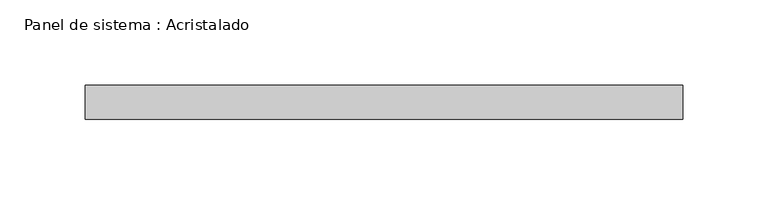
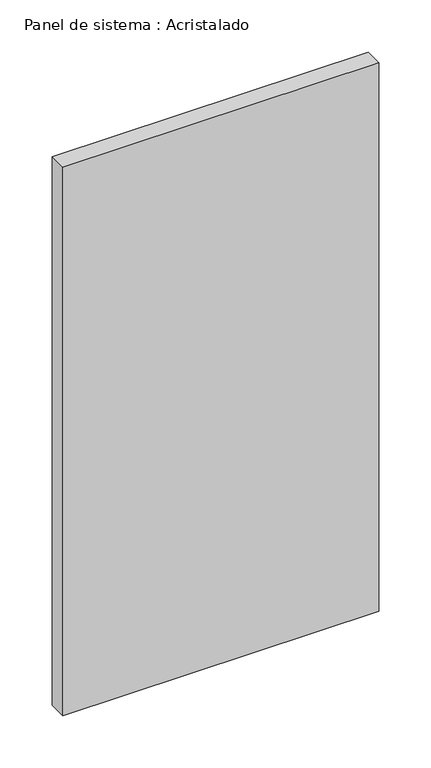
"""IFC4 building model written with IfcOpenShell, lengths in millimetres: plate geometry, Panel de sistema : Acristalado."""

from ifc_helpers import new_model, si_unit, origin, origin_with_axes, place, context, project, spatial, polyline, outline, extrude, source, transform, mapped, element, save


def panel_de_sistema_acristalado_c0e77477(model_context):
    return source(origin(), model_context, "Body", "SweptSolid", [
        extrude(outline(polyline([(175.0, -10.0), (-175.0, -10.0), (-175.0, 10.0), (175.0, 10.0), (175.0, -10.0)])), origin_with_axes(), (0.0, 0.0, 1.0), 642.1037779),
    ])


if __name__ == "__main__":
    model = new_model("IFC4")
    model_context = context("Model", 3, world=origin())
    ifc_project = project(units=[si_unit("LENGTHUNIT", "METRE", prefix="MILLI")], contexts=[model_context])
    site = spatial("IfcSite", under=ifc_project)
    building = spatial("IfcBuilding", under=site)
    placement = place(None, origin())
    panel_de_sistema_acristalado_shape = panel_de_sistema_acristalado_c0e77477(model_context)
    element("IfcPlate", 1, ObjectType="Panel de sistema : Acristalado", at=placement, inside=building, context=model_context, shape_type="MappedRepresentation", body=[
        mapped(panel_de_sistema_acristalado_shape, transform((0.0, 0.0, 0.0), x_axis=(1.0, 0.0, 0.0), y_axis=(0.0, 1.0, 0.0), z_axis=(0.0, 0.0, 1.0))),
    ])
    save(model, "model.ifc")
